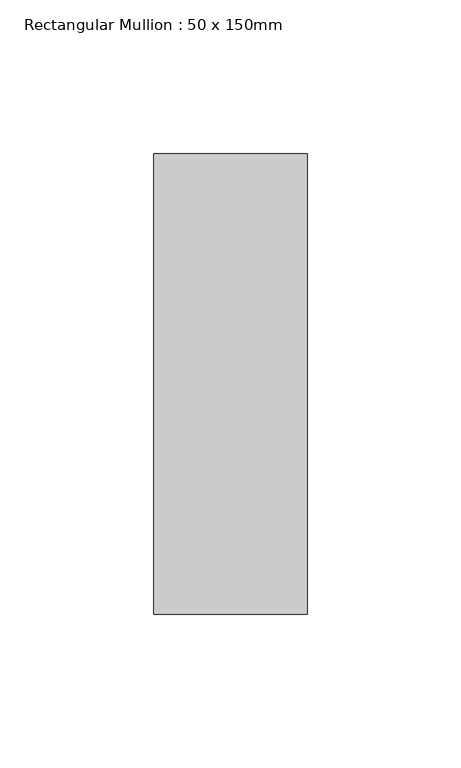
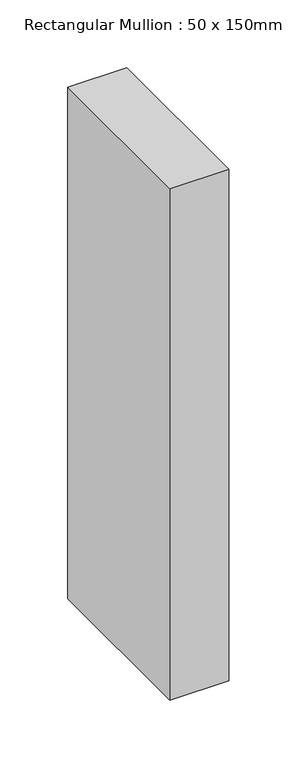
"""IFC4 building model written with IfcOpenShell, lengths in millimetres: member geometry, Rectangular Mullion : 50 x 150mm."""

import ifcopenshell
import ifcopenshell.guid

model = None  # the IFC model being written
_history = None  # IfcOwnerHistory: only IFC2X3 demands one
_inside = {}  # id of a spatial element -> (the spatial element, [elements in it])
_under = {}  # id of a project, library or spatial element -> (it, [spatial elements below it])
_declared = {}  # id of a project -> (the project, [libraries it declares])
_typed = {}  # id of a type object -> (the type object, [elements of that type])
_made_of = {}  # id of a material, layer set ... -> (it, [elements and type objects made of it])


def new_model(schema):
    """Start an empty IFC model of exactly this schema.

    Asked for "IFC4X3", IfcOpenShell would pick the latest addendum, in which some entities
    have other attributes; the version numbers below select the first issue.
    IFC2X3 requires an IfcOwnerHistory on every rooted entity: one is made here for all.
    """
    global model, _history
    if schema == "IFC4X3":
        model = ifcopenshell.file(schema_version=(4, 3, 0, 0))
    else:
        model = ifcopenshell.file(schema=schema)
    _inside.clear()
    _under.clear()
    _declared.clear()
    _typed.clear()
    _made_of.clear()
    _history = None
    if model.schema == "IFC2X3":
        org = make("IfcOrganization", Name="unknown")
        user = make(
            "IfcPersonAndOrganization",
            ThePerson=make("IfcPerson", FamilyName="unknown"),
            TheOrganization=org,
        )
        app = make(
            "IfcApplication",
            ApplicationDeveloper=org,
            Version="unknown",
            ApplicationFullName="unknown",
            ApplicationIdentifier="unknown",
        )
        _history = make(
            "IfcOwnerHistory",
            OwningUser=user,
            OwningApplication=app,
            ChangeAction="ADDED",
            CreationDate=0,
        )
    return model


def make(cls, **values):
    """One entity of the class cls with the attributes given. An attribute that is None is left unset."""
    return model.create_entity(
        cls, **{name: value for name, value in values.items() if value is not None}
    )


def rooted(cls, **values):
    """An entity with a GlobalId (a new one), such as an element, a storey or a relation."""
    return make(cls, GlobalId=ifcopenshell.guid.new(), OwnerHistory=_history, **values)


def si_unit(unit_type, name, prefix=None):
    """IfcSIUnit, for example si_unit("LENGTHUNIT", "METRE", prefix="MILLI")."""
    return make("IfcSIUnit", UnitType=unit_type, Prefix=prefix, Name=name)


def assignment(units):
    """IfcUnitAssignment: the units of a project."""
    return None if units is None else make("IfcUnitAssignment", Units=units)


def point(xyz):
    """IfcCartesianPoint."""
    return None if xyz is None else make("IfcCartesianPoint", Coordinates=xyz)


def direction(xyz):
    """IfcDirection."""
    return None if xyz is None else make("IfcDirection", DirectionRatios=xyz)


def frame(location, z_axis=None, x_axis=None):
    """IfcAxis2Placement3D, a coordinate frame: its origin and axes. An axis left out is left unset."""
    return make(
        "IfcAxis2Placement3D",
        Location=point(location),
        Axis=direction(z_axis),
        RefDirection=direction(x_axis),
    )


def origin():
    """The frame at (0, 0, 0) with its axes left unset."""
    return frame((0.0, 0.0, 0.0))


def place(relative_to, where):
    """IfcLocalPlacement: puts the frame where relative to a parent placement (None: the world)."""
    return make(
        "IfcLocalPlacement", PlacementRelTo=relative_to, RelativePlacement=where
    )


def context(
    kind, dimensions, precision=None, world=None, true_north=None, identifier=None
):
    """IfcGeometricRepresentationContext, for example the 3D "Model" context."""
    return make(
        "IfcGeometricRepresentationContext",
        ContextIdentifier=identifier,
        ContextType=kind,
        CoordinateSpaceDimension=dimensions,
        Precision=precision,
        WorldCoordinateSystem=world,
        TrueNorth=true_north,
    )


def project(units=None, contexts=None):
    """IfcProject with its units and contexts."""
    return rooted(
        "IfcProject",
        Name="project",
        RepresentationContexts=contexts,
        UnitsInContext=assignment(units),
    )


def spatial(cls, under=None, at=None, **own):
    """A site, building, storey or space (cls), placed at a placement, below another one or the project."""
    s = rooted(cls, ObjectPlacement=at, **own)
    if under is not None:
        _under.setdefault(under.id(), (under, []))[1].append(s)
    return s


def polyline(points):
    """IfcPolyline through the points."""
    return make("IfcPolyline", Points=[point(p) for p in points])


def outline(outer, holes=None, kind="AREA"):
    """IfcArbitraryClosedProfileDef: a profile drawn as a closed curve; with holes, ...WithVoids."""
    if holes is None:
        return make("IfcArbitraryClosedProfileDef", ProfileType=kind, OuterCurve=outer)
    return make(
        "IfcArbitraryProfileDefWithVoids",
        ProfileType=kind,
        OuterCurve=outer,
        InnerCurves=holes,
    )


def extrude(swept, where, along, depth):
    """IfcExtrudedAreaSolid: the profile swept, set in the frame where, extruded along a direction by depth."""
    return make(
        "IfcExtrudedAreaSolid",
        SweptArea=swept,
        Position=where,
        ExtrudedDirection=direction(along),
        Depth=depth,
    )


def shape(context_of_items, identifier, shape_type, items):
    """IfcShapeRepresentation: the items that make up one representation, for example the "Body"."""
    return make(
        "IfcShapeRepresentation",
        ContextOfItems=context_of_items,
        RepresentationIdentifier=identifier,
        RepresentationType=shape_type,
        Items=items,
    )


def source(mapping_origin, context_of_items, identifier, shape_type, items):
    """IfcRepresentationMap: a shape defined once, which mapped items show again and again."""
    return make(
        "IfcRepresentationMap",
        MappingOrigin=mapping_origin,
        MappedRepresentation=shape(context_of_items, identifier, shape_type, items),
    )


def transform(
    local_origin,
    x_axis=None,
    y_axis=None,
    z_axis=None,
    scale=None,
    scale2=None,
    scale3=None,
    uniform=True,
):
    """IfcCartesianTransformationOperator3D, or its non-uniform kind. x_axis, y_axis, z_axis: its Axis1, 2, 3."""
    if uniform:
        return make(
            "IfcCartesianTransformationOperator3D",
            Axis1=direction(x_axis),
            Axis2=direction(y_axis),
            LocalOrigin=point(local_origin),
            Scale=scale,
            Axis3=direction(z_axis),
        )
    return make(
        "IfcCartesianTransformationOperator3DnonUniform",
        Axis1=direction(x_axis),
        Axis2=direction(y_axis),
        LocalOrigin=point(local_origin),
        Scale=scale,
        Axis3=direction(z_axis),
        Scale2=scale2,
        Scale3=scale3,
    )


def mapped(mapping_source, mapping_target):
    """IfcMappedItem: shows the shape of a source again, moved by a transform."""
    return make(
        "IfcMappedItem", MappingSource=mapping_source, MappingTarget=mapping_target
    )


def made_of(thing, what):
    """Note that an element or type object is made of a material, layer set ...; save() writes the relation."""
    if what is not None:
        _made_of.setdefault(what.id(), (what, []))[1].append(thing)
    return thing


def element(
    cls,
    number,
    at=None,
    inside=None,
    cuts=None,
    type_object=None,
    material=None,
    context=None,
    identifier="Body",
    shape_type=None,
    held_by="IfcProductDefinitionShape",
    body=None,
    shapes=None,
    **own,
):
    """One element of the class cls, such as IfcWall. Its Tag is "e" and its number.

    at: its placement. inside: the storey or other place that contains it. cuts: it is an
    opening in that element (IfcRelVoidsElement). A single representation is given by context,
    identifier, shape_type and body (its items); several are given by shapes. held_by: the class
    of the entity that holds the representations. save() writes the other relations.
    """
    e = rooted(cls, Tag="e%d" % number, ObjectPlacement=at, **own)
    if body is not None:
        shapes = [shape(context, identifier, shape_type, body)]
    if shapes is not None:
        e.Representation = make(held_by, Representations=shapes)
    if inside is not None:
        _inside.setdefault(inside.id(), (inside, []))[1].append(e)
    if cuts is not None:
        rooted(
            "IfcRelVoidsElement", RelatingBuildingElement=cuts, RelatedOpeningElement=e
        )
    if type_object is not None:
        _typed.setdefault(type_object.id(), (type_object, []))[1].append(e)
    return made_of(e, material)


def aggregate(whole, parts):
    """IfcRelAggregates: a whole, such as a stair, and the parts it consists of."""
    return rooted("IfcRelAggregates", RelatingObject=whole, RelatedObjects=parts)


def save(model, path):
    """Write the relations noted so far, then the file.

    IfcRelAggregates (storeys below a building ...), IfcRelContainedInSpatialStructure (elements
    in a storey), IfcRelDefinesByType, IfcRelAssociatesMaterial and IfcRelDeclares: one each for
    every whole, place, type object, material and project.
    """
    for whole, parts in _under.values():
        aggregate(whole, parts)
    for where, things in _inside.values():
        rooted(
            "IfcRelContainedInSpatialStructure",
            RelatedElements=things,
            RelatingStructure=where,
        )
    for kind, things in _typed.values():
        rooted("IfcRelDefinesByType", RelatedObjects=things, RelatingType=kind)
    for what, things in _made_of.values():
        rooted("IfcRelAssociatesMaterial", RelatedObjects=things, RelatingMaterial=what)
    for by, libraries in _declared.values():
        rooted("IfcRelDeclares", RelatingContext=by, RelatedDefinitions=libraries)
    model.write(path)


def rectangular_mullion_50_x_150mm_3db570d5(model_context):
    return source(origin(), model_context, "Body", "SweptSolid", [
        extrude(outline(polyline([(25.0, 75.0), (25.0, -75.0), (-25.0, -75.0), (-25.0, 75.0), (25.0, 75.0)])), frame((0.0, 0.0, -459.2090339), z_axis=(0.0, 0.0, 1.0), x_axis=(1.0, 0.0, 0.0)), (0.0, 0.0, 1.0), 459.2090339),
    ])


if __name__ == "__main__":
    model = new_model("IFC4")
    model_context = context("Model", 3, world=origin())
    ifc_project = project(units=[si_unit("LENGTHUNIT", "METRE", prefix="MILLI")], contexts=[model_context])
    site = spatial("IfcSite", under=ifc_project)
    building = spatial("IfcBuilding", under=site)
    placement = place(None, origin())
    rectangular_mullion_50_x_150mm_shape = rectangular_mullion_50_x_150mm_3db570d5(model_context)
    element("IfcMember", 1, ObjectType="Rectangular Mullion : 50 x 150mm", at=placement, inside=building, context=model_context, shape_type="MappedRepresentation", body=[
        mapped(rectangular_mullion_50_x_150mm_shape, transform((0.0, 0.0, 0.0), x_axis=(1.0, 0.0, 0.0), y_axis=(0.0, 1.0, 0.0), z_axis=(0.0, 0.0, 1.0))),
    ])
    save(model, "model.ifc")
